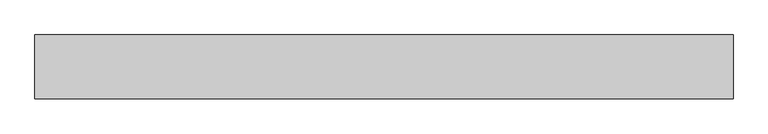
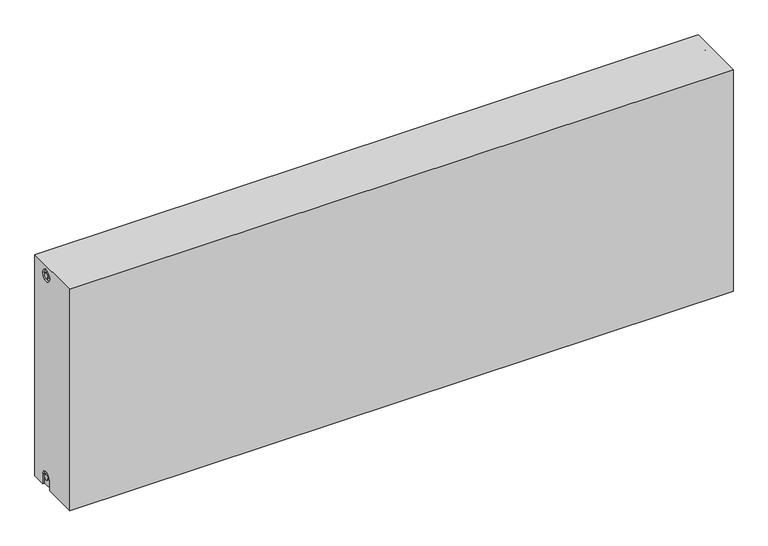
"""IFC4 building model written with IfcOpenShell, lengths in millimetres: proxy geometry."""

from ifc_helpers import new_model, si_unit, frame, origin, place, context, project, spatial, polyline, circle_curve, source, transform, mapped, element, save
from ifc_brep_helpers import plane_surface, cylinder_surface, revolved_surface, advanced_brep


def mechanical_equipment_2a2368d8(model_context):
    return source(origin(), model_context, "Body", "AdvancedBrep", [
        advanced_brep(
        [(1700.0, 77.5, 600.0), (1700.0, 77.5, 0.0), (0.0, 77.5, 0.0), (0.0, 77.5, 600.0), (1700.0, -77.5, 600.0), (0.0, -77.5, 600.0), (0.0, -77.5, 0.0), (1700.0, -77.5, 0.0), (1700.0, 12.5, 0.0), (1700.0, 12.5, 27.0), (1700.0, 42.5, 27.0), (1700.0, 42.5, 0.0), (1700.0, 42.2242393, 573.0), (1700.0, 12.2242393, 573.0), (1700.0, 34.7242393, 573.0), (1700.0, 19.7242393, 573.0), (1700.0, 20.0, 27.0), (1700.0, 35.0, 27.0), (1695.0, 42.5, 0.0), (1695.0, 12.5, 0.0), (0.0, 12.5, 0.0), (5.0, 12.5, 0.0), (5.0, 42.5, 0.0), (0.0, 42.5, 0.0), (0.0, 42.5, 27.0), (0.0, 12.5, 27.0), (0.0, 12.2242393, 573.0), (0.0, 42.2242393, 573.0), (0.0, 19.7242393, 573.0), (0.0, 34.7242393, 573.0), (0.0, 35.0682726, 27.0), (0.0, 20.0682726, 27.0), (5.0, 12.2242393, 573.0), (5.0, 42.2242393, 573.0), (5.0, 19.7242393, 573.0), (5.0, 34.7242393, 573.0), (5.0, 12.5, 27.0), (5.0, 42.5, 27.0), (5.0, 20.0682726, 27.0), (5.0, 35.0682726, 27.0), (1695.0, 12.2242393, 573.0), (1695.0, 42.2242393, 573.0), (1695.0, 19.7242393, 573.0), (1695.0, 34.7242393, 573.0), (1695.0, 42.5, 27.0), (1695.0, 12.5, 27.0), (1695.0, 20.0, 27.0), (1695.0, 35.0, 27.0)],
        [
            (0, 1),
            (1, 2),
            (2, 3),
            (3, 0),
            (4, 5),
            (5, 6),
            (6, 7),
            (7, 4),
            (0, 4),
            (7, 8),
            (8, 9),
            (9, 10, circle_curve(frame((1700.0, 27.5, 27.0), z_axis=(-1.0, 0.0, 0.0), x_axis=(0.0, 1.0, 0.0)), 15.0)),
            (10, 11),
            (11, 1),
            (12, 13, circle_curve(frame((1700.0, 27.2242393, 573.0), z_axis=(-1.0, 0.0, 0.0), x_axis=(0.0, 1.0, 0.0)), 15.0)),
            (13, 12, circle_curve(frame((1700.0, 27.2242393, 573.0), z_axis=(-1.0, 0.0, 0.0), x_axis=(0.0, 1.0, 0.0)), 15.0)),
            (14, 15, circle_curve(frame((1700.0, 27.2242393, 573.0), z_axis=(1.0, 0.0, 0.0), x_axis=(0.0, 1.0, 0.0)), 7.5)),
            (15, 14, circle_curve(frame((1700.0, 27.2242393, 573.0), z_axis=(1.0, 0.0, 0.0), x_axis=(0.0, 1.0, 0.0)), 7.5)),
            (16, 17, circle_curve(frame((1700.0, 27.5, 27.0), z_axis=(1.0, 0.0, 0.0), x_axis=(0.0, 1.0, 0.0)), 7.5)),
            (17, 16, circle_curve(frame((1700.0, 27.5, 27.0), z_axis=(1.0, 0.0, 0.0), x_axis=(0.0, 1.0, 0.0)), 7.5)),
            (11, 18),
            (18, 19),
            (19, 8),
            (6, 20),
            (20, 21),
            (21, 22),
            (22, 23),
            (23, 2),
            (23, 24),
            (24, 25, circle_curve(frame((0.0, 27.5, 27.0), z_axis=(1.0, 0.0, 0.0), x_axis=(0.0, 1.0, 0.0)), 15.0)),
            (25, 20),
            (5, 3),
            (26, 27, circle_curve(frame((0.0, 27.2242393, 573.0), z_axis=(1.0, 0.0, 0.0), x_axis=(0.0, 1.0, 0.0)), 15.0)),
            (27, 26, circle_curve(frame((0.0, 27.2242393, 573.0), z_axis=(1.0, 0.0, 0.0), x_axis=(0.0, 1.0, 0.0)), 15.0)),
            (28, 29, circle_curve(frame((0.0, 27.2242393, 573.0), z_axis=(-1.0, 0.0, 0.0), x_axis=(0.0, 1.0, 0.0)), 7.5)),
            (29, 28, circle_curve(frame((0.0, 27.2242393, 573.0), z_axis=(-1.0, 0.0, 0.0), x_axis=(0.0, 1.0, 0.0)), 7.5)),
            (30, 31, circle_curve(frame((0.0, 27.5682726, 27.0), z_axis=(-1.0, 0.0, 0.0), x_axis=(0.0, 1.0, 0.0)), 7.5)),
            (31, 30, circle_curve(frame((0.0, 27.5682726, 27.0), z_axis=(-1.0, 0.0, 0.0), x_axis=(0.0, 1.0, 0.0)), 7.5)),
            (32, 33, circle_curve(frame((5.0, 27.2242393, 573.0), z_axis=(-1.0, 0.0, 0.0), x_axis=(0.0, 1.0, 0.0)), 15.0)),
            (33, 32, circle_curve(frame((5.0, 27.2242393, 573.0), z_axis=(-1.0, 0.0, 0.0), x_axis=(0.0, 1.0, 0.0)), 15.0)),
            (34, 35, circle_curve(frame((5.0, 27.2242393, 573.0), z_axis=(1.0, 0.0, 0.0), x_axis=(0.0, 1.0, 0.0)), 7.5)),
            (35, 34, circle_curve(frame((5.0, 27.2242393, 573.0), z_axis=(1.0, 0.0, 0.0), x_axis=(0.0, 1.0, 0.0)), 7.5)),
            (33, 27),
            (26, 32),
            (35, 29),
            (28, 34),
            (21, 36),
            (36, 37, circle_curve(frame((5.0, 27.5, 27.0), z_axis=(-1.0, 0.0, 0.0), x_axis=(0.0, 1.0, 0.0)), 15.0)),
            (37, 22),
            (38, 39, circle_curve(frame((5.0, 27.5682726, 27.0), z_axis=(1.0, 0.0, 0.0), x_axis=(0.0, 1.0, 0.0)), 7.5)),
            (39, 38, circle_curve(frame((5.0, 27.5682726, 27.0), z_axis=(1.0, 0.0, 0.0), x_axis=(0.0, 1.0, 0.0)), 7.5)),
            (38, 31),
            (30, 39),
            (37, 24),
            (36, 25),
            (40, 41, circle_curve(frame((1695.0, 27.2242393, 573.0), z_axis=(1.0, 0.0, 0.0), x_axis=(0.0, 1.0, 0.0)), 15.0)),
            (41, 40, circle_curve(frame((1695.0, 27.2242393, 573.0), z_axis=(1.0, 0.0, 0.0), x_axis=(0.0, 1.0, 0.0)), 15.0)),
            (42, 43, circle_curve(frame((1695.0, 27.2242393, 573.0), z_axis=(-1.0, 0.0, 0.0), x_axis=(0.0, 1.0, 0.0)), 7.5)),
            (43, 42, circle_curve(frame((1695.0, 27.2242393, 573.0), z_axis=(-1.0, 0.0, 0.0), x_axis=(0.0, 1.0, 0.0)), 7.5)),
            (40, 13),
            (12, 41),
            (42, 15),
            (14, 43),
            (18, 44),
            (44, 45, circle_curve(frame((1695.0, 27.5, 27.0), z_axis=(1.0, 0.0, 0.0), x_axis=(0.0, 1.0, 0.0)), 15.0)),
            (45, 19),
            (46, 47, circle_curve(frame((1695.0, 27.5, 27.0), z_axis=(-1.0, 0.0, 0.0), x_axis=(0.0, 1.0, 0.0)), 7.5)),
            (47, 46, circle_curve(frame((1695.0, 27.5, 27.0), z_axis=(-1.0, 0.0, 0.0), x_axis=(0.0, 1.0, 0.0)), 7.5)),
            (47, 17),
            (16, 46),
            (10, 44),
            (9, 45),
        ],
        [
            plane_surface(frame((1700.0, 77.5, 600.0), z_axis=(0.0, 1.0, 0.0), x_axis=(0.0, 0.0, -1.0))),
            plane_surface(frame((1700.0, -77.5, 600.0), z_axis=(0.0, -1.0, 0.0), x_axis=(0.0, 0.0, 1.0))),
            plane_surface(frame((1700.0, 77.5, 600.0), z_axis=(1.0, 0.0, 0.0), x_axis=(0.0, -1.0, 0.0))),
            plane_surface(frame((1700.0, 77.5, 0.0), z_axis=(0.0, 0.0, -1.0), x_axis=(0.0, -1.0, 0.0))),
            plane_surface(frame((0.0, 77.5, 0.0), z_axis=(-1.0, 0.0, 0.0), x_axis=(0.0, -1.0, 0.0))),
            plane_surface(frame((0.0, 77.5, 600.0), z_axis=(0.0, 0.0, 1.0), x_axis=(0.0, -1.0, 0.0))),
            plane_surface(frame((5.0, 42.2242393, 573.0), z_axis=(-1.0, 0.0, 0.0), x_axis=(0.0, 0.0, 1.0))),
            revolved_surface(polyline([(5.0, 42.2242393, 573.0), (0.0, 42.2242393, 573.0)]), (0.0, 27.2242393, 573.0), (1.0, 0.0, 0.0)),
            cylinder_surface(frame((0.0, 27.2242393, 573.0), z_axis=(-1.0, 0.0, 0.0), x_axis=(0.0, 1.0, 0.0)), 7.5),
            plane_surface(frame((5.0, 35.0682726, 27.0), z_axis=(-1.0, 0.0, 0.0), x_axis=(0.0, 0.0, -1.0))),
            cylinder_surface(frame((0.0, 27.5682726, 27.0), z_axis=(-1.0, 0.0, 0.0), x_axis=(0.0, 1.0, 0.0)), 7.5),
            plane_surface(frame((5.0, 42.5, 0.0), z_axis=(0.0, -1.0, 0.0), x_axis=(-1.0, 0.0, 0.0))),
            revolved_surface(polyline([(5.0, 42.5, 27.0), (0.0, 42.5, 27.0)]), (0.0, 27.5, 27.0), (1.0, 0.0, 0.0)),
            plane_surface(frame((5.0, 12.5, 27.0), z_axis=(0.0, 1.0, 0.0), x_axis=(-1.0, 0.0, 0.0))),
            plane_surface(frame((1695.0, 42.2242393, 573.0), z_axis=(1.0, 0.0, 0.0), x_axis=(0.0, 0.0, -1.0))),
            revolved_surface(polyline([(1700.0, 42.2242393, 573.0), (1695.0, 42.2242393, 573.0)]), (1695.0, 27.2242393, 573.0), (1.0, 0.0, 0.0)),
            cylinder_surface(frame((1395.0, 27.2242393, 573.0), z_axis=(-1.0, 0.0, 0.0), x_axis=(0.0, 1.0, 0.0)), 7.5),
            plane_surface(frame((1695.0, 35.0, 27.0), z_axis=(1.0, 0.0, 0.0), x_axis=(0.0, 0.0, 1.0))),
            cylinder_surface(frame((1695.0, 27.5, 27.0), z_axis=(-1.0, 0.0, 0.0), x_axis=(0.0, 1.0, 0.0)), 7.5),
            plane_surface(frame((1700.0, 42.5, 0.0), z_axis=(0.0, -1.0, 0.0), x_axis=(-1.0, 0.0, 0.0))),
            revolved_surface(polyline([(1700.0, 42.5, 27.0), (1695.0, 42.5, 27.0)]), (1395.0, 27.5, 27.0), (1.0, 0.0, 0.0)),
            plane_surface(frame((1700.0, 12.5, 27.0), z_axis=(0.0, 1.0, 0.0), x_axis=(-1.0, 0.0, 0.0))),
        ],
        [
            (0, [[1, 2, 3, 4]]),
            (1, [[5, 6, 7, 8]]),
            (2, [[-1, 9, -8, 10, 11, 12, 13, 14], [15, 16]]),
            (2, [[17, 18]]),
            (2, [[19, 20]]),
            (3, [[-2, -14, 21, 22, 23, -10, -7, 24, 25, 26, 27, 28]]),
            (4, [[-3, -28, 29, 30, 31, -24, -6, 32], [33, 34]]),
            (4, [[35, 36]]),
            (4, [[37, 38]]),
            (5, [[-4, -32, -5, -9]]),
            (6, [[39, 40], [41, 42]]),
            (7, [[-40, 43, -33, 44]]),
            (7, [[-39, -44, -34, -43]]),
            (8, [[-42, 45, -35, 46]]),
            (8, [[-41, -46, -36, -45]]),
            (9, [[47, 48, 49, -26], [50, 51]]),
            (10, [[-50, 52, -37, 53]]),
            (10, [[-51, -53, -38, -52]]),
            (11, [[-49, 54, -29, -27]]),
            (12, [[-48, 55, -30, -54]]),
            (13, [[-47, -25, -31, -55]]),
            (14, [[56, 57], [58, 59]]),
            (15, [[-56, 60, -15, 61]]),
            (15, [[-57, -61, -16, -60]]),
            (16, [[-58, 62, -17, 63]]),
            (16, [[-59, -63, -18, -62]]),
            (17, [[64, 65, 66, -22], [67, 68]]),
            (18, [[-68, 69, -19, 70]]),
            (18, [[-67, -70, -20, -69]]),
            (19, [[-64, -21, -13, 71]]),
            (20, [[-65, -71, -12, 72]]),
            (21, [[-66, -72, -11, -23]]),
        ],
    ),
    ])


if __name__ == "__main__":
    model = new_model("IFC4")
    model_context = context("Model", 3, world=origin())
    ifc_project = project(units=[si_unit("LENGTHUNIT", "METRE", prefix="MILLI")], contexts=[model_context])
    site = spatial("IfcSite", under=ifc_project)
    building = spatial("IfcBuilding", under=site)
    placement = place(None, origin())
    mechanical_equipment_shape = mechanical_equipment_2a2368d8(model_context)
    element("IfcBuildingElementProxy", 1, Name="Mechanical Equipment", at=placement, inside=building, context=model_context, shape_type="MappedRepresentation", body=[
        mapped(mechanical_equipment_shape, transform((0.0, 0.0, 0.0), x_axis=(1.0, 0.0, 0.0), y_axis=(0.0, 1.0, 0.0), z_axis=(0.0, 0.0, 1.0))),
    ])
    save(model, "model.ifc")
